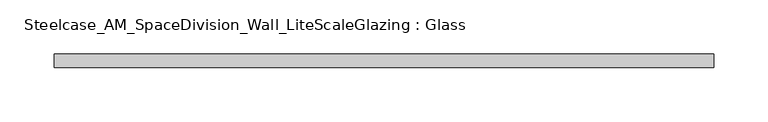
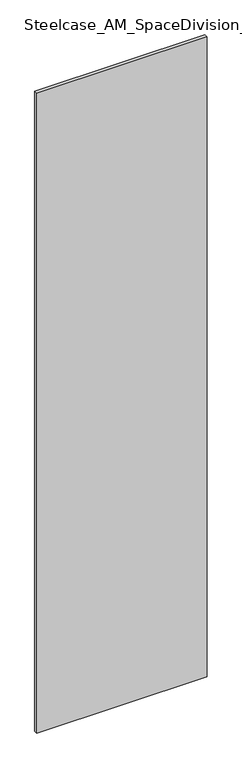
"""IFC4 building model written with IfcOpenShell, lengths in millimetres: plate geometry, Steelcase_AM_SpaceDivision_Wall_LiteScaleGlazing : Glass."""

from ifc_helpers import new_model, si_unit, origin, origin_with_axes, place, context, project, spatial, polyline, outline, extrude, source, transform, mapped, element, save


def steelcase_am_spacedivision_wall_litescaleglazing_glass_b68659ff(model_context):
    return source(origin(), model_context, "Body", "SweptSolid", [
        extrude(outline(polyline([(-305.308, -6.349956), (-305.308, 6.3502015), (305.308, 6.3502015), (305.308, -6.349956), (-305.308, -6.349956)])), origin_with_axes(), (0.0, 0.0, 1.0), 2424.684),
    ])


if __name__ == "__main__":
    model = new_model("IFC4")
    model_context = context("Model", 3, world=origin())
    ifc_project = project(units=[si_unit("LENGTHUNIT", "METRE", prefix="MILLI")], contexts=[model_context])
    site = spatial("IfcSite", under=ifc_project)
    building = spatial("IfcBuilding", under=site)
    placement = place(None, origin())
    steelcase_am_spacedivision_wall_litescaleglazing_glass_shape = steelcase_am_spacedivision_wall_litescaleglazing_glass_b68659ff(model_context)
    element("IfcPlate", 1, ObjectType="Steelcase_AM_SpaceDivision_Wall_LiteScaleGlazing : Glass", at=placement, inside=building, context=model_context, shape_type="MappedRepresentation", body=[
        mapped(steelcase_am_spacedivision_wall_litescaleglazing_glass_shape, transform((0.0, 0.0, 0.0), x_axis=(1.0, 0.0, 0.0), y_axis=(0.0, 1.0, 0.0), z_axis=(0.0, 0.0, 1.0))),
    ])
    save(model, "model.ifc")
